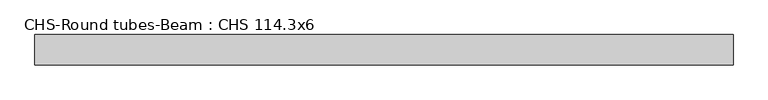
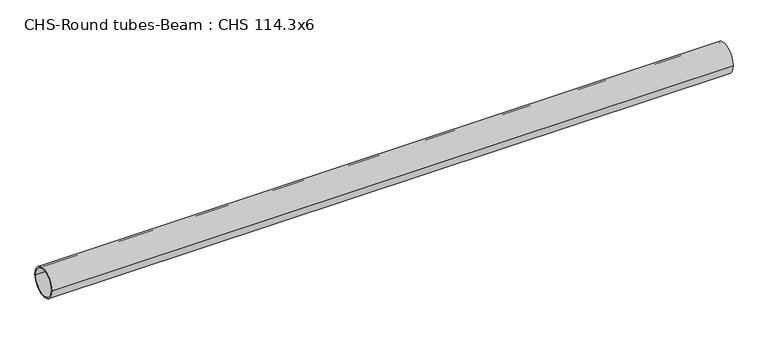
"""IFC4 building model written with IfcOpenShell, lengths in millimetres: beam geometry, CHS-Round tubes-Beam : CHS 114.3x6."""

from ifc_helpers import new_model, si_unit, point, frame, origin, origin_2d, place, context, project, spatial, circle_curve, trimmed, segment, composite_curve, outline, extrude, source, transform, mapped, element, save


def chs_round_tubes_beam_chs_114_3x6_962f0489(model_context):
    return source(origin(), model_context, "Body", "SweptSolid", [
        extrude(outline(composite_curve([segment(trimmed(circle_curve(origin_2d(), 57.15), [point((57.15, 0.0))], [point((-57.15, 0.0))], False, "CARTESIAN"), True, "CONTINUOUS"), segment(trimmed(circle_curve(origin_2d(), 57.15), [point((-57.15, 0.0))], [point((57.15, 0.0))], False, "CARTESIAN"), True, "CONTINUOUS")], self_intersect=False), holes=[composite_curve([segment(trimmed(circle_curve(origin_2d(), 51.15), [point((51.15, 0.0))], [point((-51.15, 0.0))], True, "CARTESIAN"), True, "CONTINUOUS"), segment(trimmed(circle_curve(origin_2d(), 51.15), [point((-51.15, 0.0))], [point((51.15, 0.0))], True, "CARTESIAN"), True, "CONTINUOUS")], self_intersect=False)]), frame((-1256.6552756, 0.0, 0.0), z_axis=(1.0, 0.0, 0.0), x_axis=(0.0, 1.0, 0.0)), (0.0, 0.0, 1.0), 2628.7696598),
    ])


if __name__ == "__main__":
    model = new_model("IFC4")
    model_context = context("Model", 3, world=origin())
    ifc_project = project(units=[si_unit("LENGTHUNIT", "METRE", prefix="MILLI")], contexts=[model_context])
    site = spatial("IfcSite", under=ifc_project)
    building = spatial("IfcBuilding", under=site)
    placement = place(None, origin())
    chs_round_tubes_beam_chs_114_3x6_shape = chs_round_tubes_beam_chs_114_3x6_962f0489(model_context)
    element("IfcBeam", 1, ObjectType="CHS-Round tubes-Beam : CHS 114.3x6", at=placement, inside=building, context=model_context, shape_type="MappedRepresentation", body=[
        mapped(chs_round_tubes_beam_chs_114_3x6_shape, transform((0.0, 0.0, 0.0), x_axis=(1.0, 0.0, 0.0), y_axis=(0.0, 1.0, 0.0), z_axis=(0.0, 0.0, 1.0))),
    ])
    save(model, "model.ifc")
